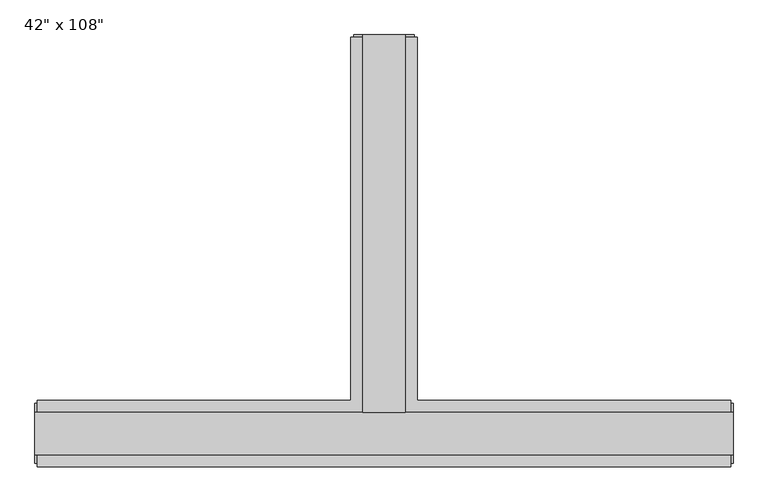
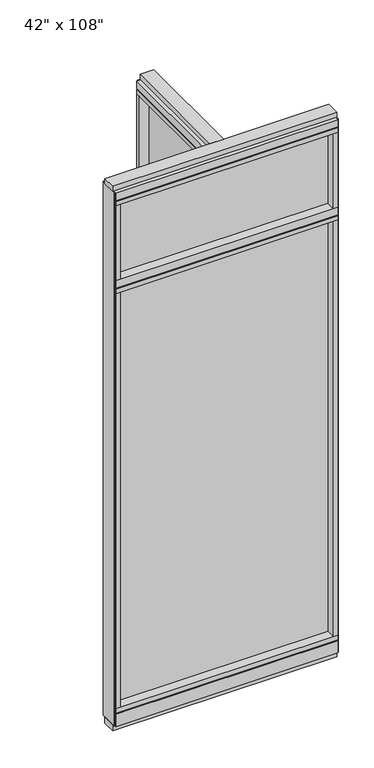
"""IFC4 building model written with IfcOpenShell, lengths in millimetres: furniture geometry."""

from ifc_helpers import new_model, si_unit, frame, origin, origin_with_axes, place, context, project, spatial, polyline, outline, extrude, faceted_brep, source, transform, mapped, element, save


def furniture_46ad4220(model_context):
    return source(origin(), model_context, "Body", "SolidModel", [
        extrude(outline(polyline([(-65.1165229, 0.5622784), (-65.1165229, 578.9202784), (-54.9565229, 578.9202784), (-54.9565229, 0.5622784), (-65.1165229, 0.5622784)])), frame((0.0, 0.0, 2276.475), z_axis=(0.0, 0.0, 1.0), x_axis=(1.0, 0.0, 0.0)), (0.0, 0.0, 1.0), 355.6),
        extrude(outline(polyline([(447.2014771, -9.5977216), (-567.2745229, -9.5977216), (-567.2745229, 0.5622784), (447.2014771, 0.5622784), (447.2014771, -9.5977216)])), frame((0.0, 0.0, 2276.475), z_axis=(0.0, 0.0, 1.0), x_axis=(1.0, 0.0, 0.0)), (0.0, 0.0, 1.0), 355.6),
        extrude(outline(polyline([(-65.1165229, 0.5622784), (-65.1165229, 578.9202784), (-54.9565229, 578.9202784), (-54.9565229, 0.5622784), (-65.1165229, 0.5622784)])), frame((0.0, 0.0, 120.65), z_axis=(0.0, 0.0, 1.0), x_axis=(1.0, 0.0, 0.0)), (0.0, 0.0, 1.0), 2114.677),
        extrude(outline(polyline([(447.2014771, -9.5977216), (-567.2745229, -9.5977216), (-567.2745229, 0.5622784), (447.2014771, 0.5622784), (447.2014771, -9.5977216)])), frame((0.0, 0.0, 120.523), z_axis=(0.0, 0.0, 1.0), x_axis=(1.0, 0.0, 0.0)), (0.0, 0.0, 1.0), 2114.677),
        extrude(outline(polyline([(-110.8365229, 601.1452784), (-9.2365229, 601.1452784), (-9.2365229, 46.2822784), (469.4264771, 46.2822784), (469.4264771, -55.3177216), (-589.4995229, -55.3177216), (-589.4995229, 46.2822784), (-110.8365229, 46.2822784), (-110.8365229, 601.1452784)])), frame((0.0, 0.0, 2654.3), z_axis=(0.0, 0.0, 1.0), x_axis=(1.0, 0.0, 0.0)), (0.0, 0.0, 1.0), 22.225),
        faceted_brep([(-105.8835229, 46.2822784, 2681.478), (-105.8835229, 46.2822784, 2676.525), (-14.1895229, 46.2822784, 2676.525), (-14.1895229, 46.2822784, 2681.478), (-9.2365229, 601.1452784, 2681.478), (-14.1895229, 601.1452784, 2681.478), (-14.1895229, 601.1452784, 2676.525), (-105.8835229, 601.1452784, 2676.525), (-105.8835229, 601.1452784, 2681.478), (-110.8365229, 601.1452784, 2681.478), (-110.8365229, 601.1452784, 2717.8), (-9.2365229, 601.1452784, 2717.8), (-9.2365229, 46.2822784, 2681.478), (469.4264771, 46.2822784, 2681.478), (469.4264771, 41.3292784, 2681.478), (-589.4995229, 41.3292784, 2681.478), (-589.4995229, 46.2822784, 2681.478), (-110.8365229, 46.2822784, 2681.478), (-110.8365229, 46.2822784, 2717.8), (-589.4995229, 46.2822784, 2717.8), (-589.4995229, -55.3177216, 2717.8), (469.4264771, -55.3177216, 2717.8), (469.4264771, 46.2822784, 2717.8), (-9.2365229, 46.2822784, 2717.8), (-589.4995229, -55.3177216, 2681.478), (-589.4995229, 41.3292784, 2676.525), (-589.4995229, -50.3647216, 2676.525), (-589.4995229, -50.3647216, 2681.478), (469.4264771, -55.3177216, 2681.478), (469.4264771, -50.3647216, 2681.478), (469.4264771, -50.3647216, 2676.525), (469.4264771, 41.3292784, 2676.525)], [[[0, 1, 2, 3]], [[4, 5, 6, 7, 8, 9, 10, 11]], [[5, 4, 12, 13, 14, 15, 16, 17, 9, 8, 0, 3]], [[3, 2, 6, 5]], [[2, 1, 7, 6]], [[1, 0, 8, 7]], [[10, 9, 17, 18]], [[11, 10, 18, 19, 20, 21, 22, 23]], [[4, 11, 23, 12]], [[24, 20, 19, 16, 15, 25, 26, 27]], [[28, 29, 30, 31, 14, 13, 22, 21]], [[24, 27, 29, 28]], [[16, 19, 18, 17]], [[22, 13, 12, 23]], [[20, 24, 28, 21]], [[25, 15, 14, 31]], [[26, 25, 31, 30]], [[27, 26, 30, 29]]]),
        extrude(outline(polyline([(-110.8365229, 601.1452784), (-9.2365229, 601.1452784), (-9.2365229, 46.2822784), (469.4264771, 46.2822784), (469.4264771, -55.3177216), (-589.4995229, -55.3177216), (-589.4995229, 46.2822784), (-110.8365229, 46.2822784), (-110.8365229, 601.1452784)])), frame((0.0, 0.0, 2212.975), z_axis=(0.0, 0.0, 1.0), x_axis=(1.0, 0.0, 0.0)), (0.0, 0.0, 1.0), 22.225),
        faceted_brep([(-105.8835229, 46.2822784, 2240.153), (-105.8835229, 46.2822784, 2235.2), (-14.1895229, 46.2822784, 2235.2), (-14.1895229, 46.2822784, 2240.153), (-9.2365229, 601.1452784, 2240.153), (-14.1895229, 601.1452784, 2240.153), (-14.1895229, 601.1452784, 2235.2), (-105.8835229, 601.1452784, 2235.2), (-105.8835229, 601.1452784, 2240.153), (-110.8365229, 601.1452784, 2240.153), (-110.8365229, 601.1452784, 2276.475), (-9.2365229, 601.1452784, 2276.475), (-9.2365229, 46.2822784, 2240.153), (469.4264771, 46.2822784, 2240.153), (469.4264771, 41.3292784, 2240.153), (-589.4995229, 41.3292784, 2240.153), (-589.4995229, 46.2822784, 2240.153), (-110.8365229, 46.2822784, 2240.153), (-110.8365229, 46.2822784, 2276.475), (-589.4995229, 46.2822784, 2276.475), (-589.4995229, -55.3177216, 2276.475), (469.4264771, -55.3177216, 2276.475), (469.4264771, 46.2822784, 2276.475), (-9.2365229, 46.2822784, 2276.475), (-589.4995229, -55.3177216, 2240.153), (-589.4995229, 41.3292784, 2235.2), (-589.4995229, -50.3647216, 2235.2), (-589.4995229, -50.3647216, 2240.153), (469.4264771, -55.3177216, 2240.153), (469.4264771, -50.3647216, 2240.153), (469.4264771, -50.3647216, 2235.2), (469.4264771, 41.3292784, 2235.2)], [[[0, 1, 2, 3]], [[4, 5, 6, 7, 8, 9, 10, 11]], [[5, 4, 12, 13, 14, 15, 16, 17, 9, 8, 0, 3]], [[3, 2, 6, 5]], [[2, 1, 7, 6]], [[1, 0, 8, 7]], [[10, 9, 17, 18]], [[11, 10, 18, 19, 20, 21, 22, 23]], [[4, 11, 23, 12]], [[24, 20, 19, 16, 15, 25, 26, 27]], [[28, 29, 30, 31, 14, 13, 22, 21]], [[24, 27, 29, 28]], [[27, 26, 30, 29]], [[26, 25, 31, 30]], [[25, 15, 14, 31]], [[16, 19, 18, 17]], [[22, 13, 12, 23]], [[20, 24, 28, 21]]]),
        faceted_brep([(-14.1895229, 46.2822784, 93.345), (-14.1895229, 46.2822784, 98.298), (-105.8835229, 46.2822784, 98.298), (-105.8835229, 46.2822784, 93.345), (-9.2365229, 601.1452784, 93.345), (-9.2365229, 601.1452784, 31.75), (-110.8365229, 601.1452784, 31.75), (-110.8365229, 601.1452784, 93.345), (-105.8835229, 601.1452784, 93.345), (-105.8835229, 601.1452784, 98.298), (-14.1895229, 601.1452784, 98.298), (-14.1895229, 601.1452784, 93.345), (-110.8365229, 46.2822784, 93.345), (-589.4995229, 46.2822784, 93.345), (-589.4995229, 41.3292784, 93.345), (469.4264771, 41.3292784, 93.345), (469.4264771, 46.2822784, 93.345), (-9.2365229, 46.2822784, 93.345), (-110.8365229, 46.2822784, 31.75), (-9.2365229, 46.2822784, 31.75), (469.4264771, 46.2822784, 31.75), (469.4264771, -55.3177216, 31.75), (-589.4995229, -55.3177216, 31.75), (-589.4995229, 46.2822784, 31.75), (469.4264771, -55.3177216, 93.345), (469.4264771, 41.3292784, 98.298), (469.4264771, -50.3647216, 98.298), (469.4264771, -50.3647216, 93.345), (-589.4995229, -55.3177216, 93.345), (-589.4995229, -50.3647216, 93.345), (-589.4995229, -50.3647216, 98.298), (-589.4995229, 41.3292784, 98.298)], [[[0, 1, 2, 3]], [[4, 5, 6, 7, 8, 9, 10, 11]], [[4, 11, 0, 3, 8, 7, 12, 13, 14, 15, 16, 17]], [[1, 0, 11, 10]], [[2, 1, 10, 9]], [[3, 2, 9, 8]], [[7, 6, 18, 12]], [[6, 5, 19, 20, 21, 22, 23, 18]], [[5, 4, 17, 19]], [[24, 21, 20, 16, 15, 25, 26, 27]], [[28, 29, 30, 31, 14, 13, 23, 22]], [[24, 27, 29, 28]], [[16, 20, 19, 17]], [[23, 13, 12, 18]], [[21, 24, 28, 22]], [[25, 15, 14, 31]], [[26, 25, 31, 30]], [[27, 26, 30, 29]]]),
        extrude(outline(polyline([(-110.8365229, 601.1452784), (-9.2365229, 601.1452784), (-9.2365229, 46.2822784), (469.4264771, 46.2822784), (469.4264771, -55.3177216), (-589.4995229, -55.3177216), (-589.4995229, 46.2822784), (-110.8365229, 46.2822784), (-110.8365229, 601.1452784)])), frame((0.0, 0.0, 98.298), z_axis=(0.0, 0.0, 1.0), x_axis=(1.0, 0.0, 0.0)), (0.0, 0.0, 1.0), 22.225),
        extrude(outline(polyline([(-9.2365229, 601.1452784), (-9.2365229, 578.9202784), (-110.8365229, 578.9202784), (-110.8365229, 601.1452784), (-9.2365229, 601.1452784)])), frame((0.0, 0.0, 2276.475), z_axis=(0.0, 0.0, 1.0), x_axis=(1.0, 0.0, 0.0)), (0.0, 0.0, 1.0), 377.825),
        extrude(outline(polyline([(447.2014771, -55.3177216), (447.2014771, 46.2822784), (469.4264771, 46.2822784), (469.4264771, -55.3177216), (447.2014771, -55.3177216)])), frame((0.0, 0.0, 2276.475), z_axis=(0.0, 0.0, 1.0), x_axis=(1.0, 0.0, 0.0)), (0.0, 0.0, 1.0), 377.825),
        extrude(outline(polyline([(-567.2745229, -55.3177216), (-589.4995229, -55.3177216), (-589.4995229, 46.2822784), (-567.2745229, 46.2822784), (-567.2745229, -55.3177216)])), frame((0.0, 0.0, 2276.475), z_axis=(0.0, 0.0, 1.0), x_axis=(1.0, 0.0, 0.0)), (0.0, 0.0, 1.0), 377.825),
        extrude(outline(polyline([(-27.5245229, 27.9942784), (-92.5485229, 27.9942784), (-92.5485229, 605.0822784), (-27.5245229, 605.0822784), (-27.5245229, 27.9942784)])), origin_with_axes(), (0.0, 0.0, 1.0), 31.75),
        extrude(outline(polyline([(-9.2365229, 601.1452784), (-9.2365229, 578.9202784), (-110.8365229, 578.9202784), (-110.8365229, 601.1452784), (-9.2365229, 601.1452784)])), frame((0.0, 0.0, 120.523), z_axis=(0.0, 0.0, 1.0), x_axis=(1.0, 0.0, 0.0)), (0.0, 0.0, 1.0), 2092.452),
        extrude(outline(polyline([(-14.1895229, 605.0822784), (-14.1895229, 601.1452784), (-105.8835229, 601.1452784), (-105.8835229, 605.0822784), (-14.1895229, 605.0822784)])), frame((0.0, 0.0, 31.75), z_axis=(0.0, 0.0, 1.0), x_axis=(1.0, 0.0, 0.0)), (0.0, 0.0, 1.0), 2686.05),
        extrude(outline(polyline([(-27.5245229, 27.9942784), (-92.5485229, 27.9942784), (-92.5485229, 605.0822784), (-27.5245229, 605.0822784), (-27.5245229, 27.9942784)])), frame((0.0, 0.0, 2717.8), z_axis=(0.0, 0.0, 1.0), x_axis=(1.0, 0.0, 0.0)), (0.0, 0.0, 1.0), 25.4),
        extrude(outline(polyline([(473.3634771, 27.9942784), (473.3634771, -37.0297216), (-593.4365229, -37.0297216), (-593.4365229, 27.9942784), (473.3634771, 27.9942784)])), origin_with_axes(), (0.0, 0.0, 1.0), 31.75),
        extrude(outline(polyline([(-593.4365229, -37.0297216), (-593.4365229, 27.9942784), (473.3634771, 27.9942784), (473.3634771, -37.0297216), (-593.4365229, -37.0297216)])), frame((0.0, 0.0, 2717.8), z_axis=(0.0, 0.0, 1.0), x_axis=(1.0, 0.0, 0.0)), (0.0, 0.0, 1.0), 25.4),
        extrude(outline(polyline([(447.2014771, -55.3177216), (447.2014771, 46.2822784), (469.4264771, 46.2822784), (469.4264771, -55.3177216), (447.2014771, -55.3177216)])), frame((0.0, 0.0, 120.523), z_axis=(0.0, 0.0, 1.0), x_axis=(1.0, 0.0, 0.0)), (0.0, 0.0, 1.0), 2092.452),
        extrude(outline(polyline([(-567.2745229, -55.3177216), (-589.4995229, -55.3177216), (-589.4995229, 46.2822784), (-567.2745229, 46.2822784), (-567.2745229, -55.3177216)])), frame((0.0, 0.0, 120.523), z_axis=(0.0, 0.0, 1.0), x_axis=(1.0, 0.0, 0.0)), (0.0, 0.0, 1.0), 2092.452),
        extrude(outline(polyline([(473.3634771, -50.3647216), (469.4264771, -50.3647216), (469.4264771, 41.3292784), (473.3634771, 41.3292784), (473.3634771, -50.3647216)])), frame((0.0, 0.0, 31.75), z_axis=(0.0, 0.0, 1.0), x_axis=(1.0, 0.0, 0.0)), (0.0, 0.0, 1.0), 2686.05),
        extrude(outline(polyline([(-593.4365229, -50.3647216), (-593.4365229, 41.3292784), (-589.4995229, 41.3292784), (-589.4995229, -50.3647216), (-593.4365229, -50.3647216)])), frame((0.0, 0.0, 31.75), z_axis=(0.0, 0.0, 1.0), x_axis=(1.0, 0.0, 0.0)), (0.0, 0.0, 1.0), 2686.05),
    ])


if __name__ == "__main__":
    model = new_model("IFC4")
    model_context = context("Model", 3, world=origin())
    ifc_project = project(units=[si_unit("LENGTHUNIT", "METRE", prefix="MILLI")], contexts=[model_context])
    site = spatial("IfcSite", under=ifc_project)
    building = spatial("IfcBuilding", under=site)
    placement = place(None, origin())
    furniture_shape = furniture_46ad4220(model_context)
    element("IfcFurniture", 1, ObjectType="42\" x 108\"", at=placement, inside=building, context=model_context, shape_type="MappedRepresentation", body=[
        mapped(furniture_shape, transform((0.0, 0.0, 0.0), x_axis=(1.0, 0.0, 0.0), y_axis=(0.0, 1.0, 0.0), z_axis=(0.0, 0.0, 1.0))),
    ])
    save(model, "model.ifc")
